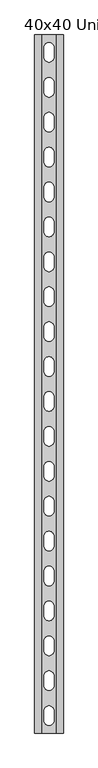
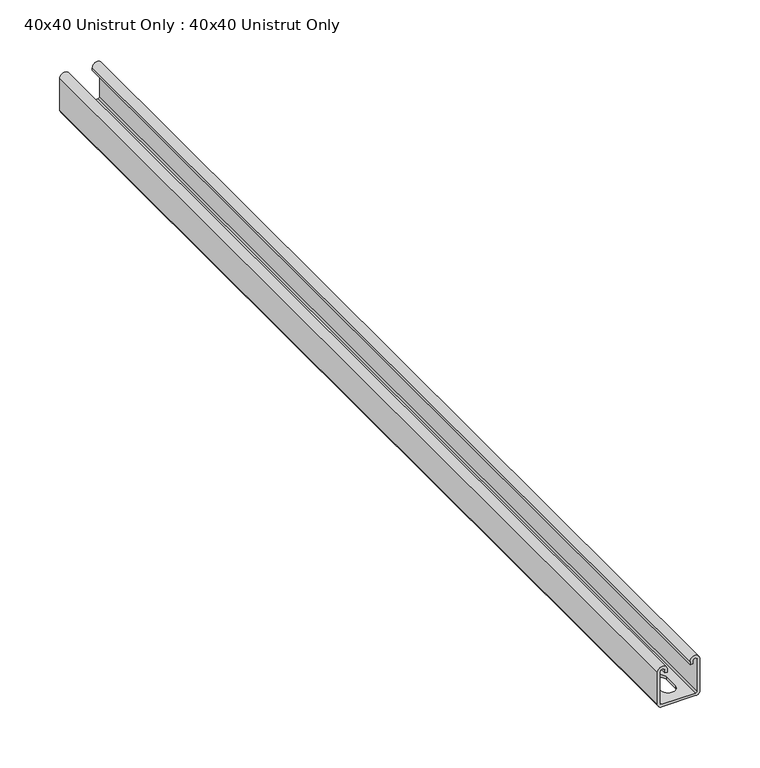
"""IFC4 building model written with IfcOpenShell, lengths in millimetres: proxy geometry, 40x40 Unistrut Only : 40x40 Unistrut Only."""

from ifc_helpers import new_model, si_unit, frame, origin, place, context, project, spatial, polyline, circle_curve, source, transform, mapped, element, save
from ifc_brep_helpers import plane_surface, cylinder_surface, revolved_surface, advanced_brep


def proxy_40x40_unistrut_only_40x40_unistrut_only_0c33eeb6(model_context):
    return source(origin(), model_context, "Body", "AdvancedBrep", [
        advanced_brep(
        [(0.0, -1000.0, 396.25), (0.0, -1000.0, 364.0), (4.0, -1000.0, 360.0), (37.0, -1000.0, 360.0), (41.0, -1000.0, 364.0), (41.0, -1000.0, 396.25), (31.5, -1000.0, 396.25), (31.5, -1000.0, 393.55), (34.0, -1000.0, 393.55), (34.0, -1000.0, 396.25), (38.5, -1000.0, 396.25), (38.5, -1000.0, 364.0), (37.0, -1000.0, 362.5), (4.0, -1000.0, 362.5), (2.5, -1000.0, 364.0), (2.5, -1000.0, 396.25), (7.0, -1000.0, 396.25), (7.0, -1000.0, 393.55), (9.5, -1000.0, 393.55), (9.5, -1000.0, 396.25), (0.0, 0.0, 396.25), (9.5, 0.0, 396.25), (9.5, 0.0, 393.55), (7.0, 0.0, 393.55), (7.0, 0.0, 396.25), (2.5, 0.0, 396.25), (2.5, 0.0, 364.0), (4.0, 0.0, 362.5), (37.0, 0.0, 362.5), (38.5, 0.0, 364.0), (38.5, 0.0, 396.25), (34.0, 0.0, 396.25), (34.0, 0.0, 393.55), (31.5, 0.0, 393.55), (31.5, 0.0, 396.25), (41.0, 0.0, 396.25), (41.0, 0.0, 364.0), (37.0, 0.0, 360.0), (4.0, 0.0, 360.0), (0.0, 0.0, 364.0), (27.5, -32.0, 360.0), (27.5, -18.0, 360.0), (13.5, -18.0, 360.0), (13.5, -32.0, 360.0), (27.5, -82.0, 360.0), (27.5, -68.0, 360.0), (13.5, -68.0, 360.0), (13.5, -82.0, 360.0), (27.5, -132.0, 360.0), (27.5, -118.0, 360.0), (13.5, -118.0, 360.0), (13.5, -132.0, 360.0), (27.5, -182.0, 360.0), (27.5, -168.0, 360.0), (13.5, -168.0, 360.0), (13.5, -182.0, 360.0), (27.5, -232.0, 360.0), (27.5, -218.0, 360.0), (13.5, -218.0, 360.0), (13.5, -232.0, 360.0), (27.5, -282.0, 360.0), (27.5, -268.0, 360.0), (13.5, -268.0, 360.0), (13.5, -282.0, 360.0), (27.5, -332.0, 360.0), (27.5, -318.0, 360.0), (13.5, -318.0, 360.0), (13.5, -332.0, 360.0), (27.5, -382.0, 360.0), (27.5, -368.0, 360.0), (13.5, -368.0, 360.0), (13.5, -382.0, 360.0), (27.5, -432.0, 360.0), (27.5, -418.0, 360.0), (13.5, -418.0, 360.0), (13.5, -432.0, 360.0), (27.5, -482.0, 360.0), (27.5, -468.0, 360.0), (13.5, -468.0, 360.0), (13.5, -482.0, 360.0), (27.5, -532.0, 360.0), (27.5, -518.0, 360.0), (13.5, -518.0, 360.0), (13.5, -532.0, 360.0), (27.5, -582.0, 360.0), (27.5, -568.0, 360.0), (13.5, -568.0, 360.0), (13.5, -582.0, 360.0), (27.5, -632.0, 360.0), (27.5, -618.0, 360.0), (13.5, -618.0, 360.0), (13.5, -632.0, 360.0), (27.5, -682.0, 360.0), (27.5, -668.0, 360.0), (13.5, -668.0, 360.0), (13.5, -682.0, 360.0), (27.5, -732.0, 360.0), (27.5, -718.0, 360.0), (13.5, -718.0, 360.0), (13.5, -732.0, 360.0), (27.5, -782.0, 360.0), (27.5, -768.0, 360.0), (13.5, -768.0, 360.0), (13.5, -782.0, 360.0), (27.5, -832.0, 360.0), (27.5, -818.0, 360.0), (13.5, -818.0, 360.0), (13.5, -832.0, 360.0), (27.5, -882.0, 360.0), (27.5, -868.0, 360.0), (13.5, -868.0, 360.0), (13.5, -882.0, 360.0), (27.5, -932.0, 360.0), (27.5, -918.0, 360.0), (13.5, -918.0, 360.0), (13.5, -932.0, 360.0), (27.5, -982.0, 360.0), (27.5, -968.0, 360.0), (13.5, -968.0, 360.0), (13.5, -982.0, 360.0), (27.5, -18.0, 362.5), (27.5, -32.0, 362.5), (13.5, -32.0, 362.5), (13.5, -18.0, 362.5), (27.5, -68.0, 362.5), (27.5, -82.0, 362.5), (13.5, -82.0, 362.5), (13.5, -68.0, 362.5), (27.5, -118.0, 362.5), (27.5, -132.0, 362.5), (13.5, -132.0, 362.5), (13.5, -118.0, 362.5), (27.5, -168.0, 362.5), (27.5, -182.0, 362.5), (13.5, -182.0, 362.5), (13.5, -168.0, 362.5), (27.5, -218.0, 362.5), (27.5, -232.0, 362.5), (13.5, -232.0, 362.5), (13.5, -218.0, 362.5), (27.5, -268.0, 362.5), (27.5, -282.0, 362.5), (13.5, -282.0, 362.5), (13.5, -268.0, 362.5), (27.5, -318.0, 362.5), (27.5, -332.0, 362.5), (13.5, -332.0, 362.5), (13.5, -318.0, 362.5), (27.5, -368.0, 362.5), (27.5, -382.0, 362.5), (13.5, -382.0, 362.5), (13.5, -368.0, 362.5), (27.5, -418.0, 362.5), (27.5, -432.0, 362.5), (13.5, -432.0, 362.5), (13.5, -418.0, 362.5), (27.5, -468.0, 362.5), (27.5, -482.0, 362.5), (13.5, -482.0, 362.5), (13.5, -468.0, 362.5), (27.5, -518.0, 362.5), (27.5, -532.0, 362.5), (13.5, -532.0, 362.5), (13.5, -518.0, 362.5), (27.5, -568.0, 362.5), (27.5, -582.0, 362.5), (13.5, -582.0, 362.5), (13.5, -568.0, 362.5), (27.5, -618.0, 362.5), (27.5, -632.0, 362.5), (13.5, -632.0, 362.5), (13.5, -618.0, 362.5), (27.5, -668.0, 362.5), (27.5, -682.0, 362.5), (13.5, -682.0, 362.5), (13.5, -668.0, 362.5), (27.5, -718.0, 362.5), (27.5, -732.0, 362.5), (13.5, -732.0, 362.5), (13.5, -718.0, 362.5), (27.5, -768.0, 362.5), (27.5, -782.0, 362.5), (13.5, -782.0, 362.5), (13.5, -768.0, 362.5), (27.5, -818.0, 362.5), (27.5, -832.0, 362.5), (13.5, -832.0, 362.5), (13.5, -818.0, 362.5), (27.5, -868.0, 362.5), (27.5, -882.0, 362.5), (13.5, -882.0, 362.5), (13.5, -868.0, 362.5), (27.5, -918.0, 362.5), (27.5, -932.0, 362.5), (13.5, -932.0, 362.5), (13.5, -918.0, 362.5), (27.5, -968.0, 362.5), (27.5, -982.0, 362.5), (13.5, -982.0, 362.5), (13.5, -968.0, 362.5)],
        [
            (0, 1),
            (1, 2, circle_curve(frame((4.0, -1000.0, 364.0), z_axis=(0.0, -1.0, 0.0), x_axis=(1.0, 0.0, 0.0)), 4.0)),
            (2, 3),
            (3, 4, circle_curve(frame((37.0, -1000.0, 364.0), z_axis=(0.0, -1.0, 0.0), x_axis=(1.0, 0.0, 0.0)), 4.0)),
            (4, 5),
            (5, 6, circle_curve(frame((36.25, -1000.0, 396.25), z_axis=(0.0, -1.0, 0.0), x_axis=(1.0, 0.0, 0.0)), 4.75)),
            (6, 7),
            (7, 8),
            (8, 9),
            (9, 10, circle_curve(frame((36.25, -1000.0, 396.25), z_axis=(0.0, 1.0, 0.0), x_axis=(1.0, 0.0, 0.0)), 2.25)),
            (10, 11),
            (11, 12, circle_curve(frame((37.0, -1000.0, 364.0), z_axis=(0.0, 1.0, 0.0), x_axis=(1.0, 0.0, 0.0)), 1.5)),
            (12, 13),
            (13, 14, circle_curve(frame((4.0, -1000.0, 364.0), z_axis=(0.0, 1.0, 0.0), x_axis=(1.0, 0.0, 0.0)), 1.5)),
            (14, 15),
            (15, 16, circle_curve(frame((4.75, -1000.0, 396.25), z_axis=(0.0, 1.0, 0.0), x_axis=(1.0, 0.0, 0.0)), 2.25)),
            (16, 17),
            (17, 18),
            (18, 19),
            (19, 0, circle_curve(frame((4.75, -1000.0, 396.25), z_axis=(0.0, -1.0, 0.0), x_axis=(1.0, 0.0, 0.0)), 4.75)),
            (20, 21, circle_curve(frame((4.75, 0.0, 396.25), z_axis=(0.0, 1.0, 0.0), x_axis=(1.0, 0.0, 0.0)), 4.75)),
            (21, 22),
            (22, 23),
            (23, 24),
            (24, 25, circle_curve(frame((4.75, 0.0, 396.25), z_axis=(0.0, -1.0, 0.0), x_axis=(1.0, 0.0, 0.0)), 2.25)),
            (25, 26),
            (26, 27, circle_curve(frame((4.0, 0.0, 364.0), z_axis=(0.0, -1.0, 0.0), x_axis=(1.0, 0.0, 0.0)), 1.5)),
            (27, 28),
            (28, 29, circle_curve(frame((37.0, 0.0, 364.0), z_axis=(0.0, -1.0, 0.0), x_axis=(1.0, 0.0, 0.0)), 1.5)),
            (29, 30),
            (30, 31, circle_curve(frame((36.25, 0.0, 396.25), z_axis=(0.0, -1.0, 0.0), x_axis=(1.0, 0.0, 0.0)), 2.25)),
            (31, 32),
            (32, 33),
            (33, 34),
            (34, 35, circle_curve(frame((36.25, 0.0, 396.25), z_axis=(0.0, 1.0, 0.0), x_axis=(1.0, 0.0, 0.0)), 4.75)),
            (35, 36),
            (36, 37, circle_curve(frame((37.0, 0.0, 364.0), z_axis=(0.0, 1.0, 0.0), x_axis=(1.0, 0.0, 0.0)), 4.0)),
            (37, 38),
            (38, 39, circle_curve(frame((4.0, 0.0, 364.0), z_axis=(0.0, 1.0, 0.0), x_axis=(1.0, 0.0, 0.0)), 4.0)),
            (39, 20),
            (0, 20),
            (39, 1),
            (38, 2),
            (37, 3),
            (40, 41),
            (41, 42, circle_curve(frame((20.5, -18.0, 360.0), z_axis=(0.0, 0.0, 1.0), x_axis=(1.0, 0.0, 0.0)), 7.0)),
            (42, 43),
            (43, 40, circle_curve(frame((20.5, -32.0, 360.0), z_axis=(0.0, 0.0, 1.0), x_axis=(1.0, 0.0, 0.0)), 7.0)),
            (44, 45),
            (45, 46, circle_curve(frame((20.5, -68.0, 360.0), z_axis=(0.0, 0.0, 1.0), x_axis=(1.0, 0.0, 0.0)), 7.0)),
            (46, 47),
            (47, 44, circle_curve(frame((20.5, -82.0, 360.0), z_axis=(0.0, 0.0, 1.0), x_axis=(1.0, 0.0, 0.0)), 7.0)),
            (48, 49),
            (49, 50, circle_curve(frame((20.5, -118.0, 360.0), z_axis=(0.0, 0.0, 1.0), x_axis=(1.0, 0.0, 0.0)), 7.0)),
            (50, 51),
            (51, 48, circle_curve(frame((20.5, -132.0, 360.0), z_axis=(0.0, 0.0, 1.0), x_axis=(1.0, 0.0, 0.0)), 7.0)),
            (52, 53),
            (53, 54, circle_curve(frame((20.5, -168.0, 360.0), z_axis=(0.0, 0.0, 1.0), x_axis=(1.0, 0.0, 0.0)), 7.0)),
            (54, 55),
            (55, 52, circle_curve(frame((20.5, -182.0, 360.0), z_axis=(0.0, 0.0, 1.0), x_axis=(1.0, 0.0, 0.0)), 7.0)),
            (56, 57),
            (57, 58, circle_curve(frame((20.5, -218.0, 360.0), z_axis=(0.0, 0.0, 1.0), x_axis=(1.0, 0.0, 0.0)), 7.0)),
            (58, 59),
            (59, 56, circle_curve(frame((20.5, -232.0, 360.0), z_axis=(0.0, 0.0, 1.0), x_axis=(1.0, 0.0, 0.0)), 7.0)),
            (60, 61),
            (61, 62, circle_curve(frame((20.5, -268.0, 360.0), z_axis=(0.0, 0.0, 1.0), x_axis=(1.0, 0.0, 0.0)), 7.0)),
            (62, 63),
            (63, 60, circle_curve(frame((20.5, -282.0, 360.0), z_axis=(0.0, 0.0, 1.0), x_axis=(1.0, 0.0, 0.0)), 7.0)),
            (64, 65),
            (65, 66, circle_curve(frame((20.5, -318.0, 360.0), z_axis=(0.0, 0.0, 1.0), x_axis=(1.0, 0.0, 0.0)), 7.0)),
            (66, 67),
            (67, 64, circle_curve(frame((20.5, -332.0, 360.0), z_axis=(0.0, 0.0, 1.0), x_axis=(1.0, 0.0, 0.0)), 7.0)),
            (68, 69),
            (69, 70, circle_curve(frame((20.5, -368.0, 360.0), z_axis=(0.0, 0.0, 1.0), x_axis=(1.0, 0.0, 0.0)), 7.0)),
            (70, 71),
            (71, 68, circle_curve(frame((20.5, -382.0, 360.0), z_axis=(0.0, 0.0, 1.0), x_axis=(1.0, 0.0, 0.0)), 7.0)),
            (72, 73),
            (73, 74, circle_curve(frame((20.5, -418.0, 360.0), z_axis=(0.0, 0.0, 1.0), x_axis=(1.0, 0.0, 0.0)), 7.0)),
            (74, 75),
            (75, 72, circle_curve(frame((20.5, -432.0, 360.0), z_axis=(0.0, 0.0, 1.0), x_axis=(1.0, 0.0, 0.0)), 7.0)),
            (76, 77),
            (77, 78, circle_curve(frame((20.5, -468.0, 360.0), z_axis=(0.0, 0.0, 1.0), x_axis=(1.0, 0.0, 0.0)), 7.0)),
            (78, 79),
            (79, 76, circle_curve(frame((20.5, -482.0, 360.0), z_axis=(0.0, 0.0, 1.0), x_axis=(1.0, 0.0, 0.0)), 7.0)),
            (80, 81),
            (81, 82, circle_curve(frame((20.5, -518.0, 360.0), z_axis=(0.0, 0.0, 1.0), x_axis=(1.0, 0.0, 0.0)), 7.0)),
            (82, 83),
            (83, 80, circle_curve(frame((20.5, -532.0, 360.0), z_axis=(0.0, 0.0, 1.0), x_axis=(1.0, 0.0, 0.0)), 7.0)),
            (84, 85),
            (85, 86, circle_curve(frame((20.5, -568.0, 360.0), z_axis=(0.0, 0.0, 1.0), x_axis=(1.0, 0.0, 0.0)), 7.0)),
            (86, 87),
            (87, 84, circle_curve(frame((20.5, -582.0, 360.0), z_axis=(0.0, 0.0, 1.0), x_axis=(1.0, 0.0, 0.0)), 7.0)),
            (88, 89),
            (89, 90, circle_curve(frame((20.5, -618.0, 360.0), z_axis=(0.0, 0.0, 1.0), x_axis=(1.0, 0.0, 0.0)), 7.0)),
            (90, 91),
            (91, 88, circle_curve(frame((20.5, -632.0, 360.0), z_axis=(0.0, 0.0, 1.0), x_axis=(1.0, 0.0, 0.0)), 7.0)),
            (92, 93),
            (93, 94, circle_curve(frame((20.5, -668.0, 360.0), z_axis=(0.0, 0.0, 1.0), x_axis=(1.0, 0.0, 0.0)), 7.0)),
            (94, 95),
            (95, 92, circle_curve(frame((20.5, -682.0, 360.0), z_axis=(0.0, 0.0, 1.0), x_axis=(1.0, 0.0, 0.0)), 7.0)),
            (96, 97),
            (97, 98, circle_curve(frame((20.5, -718.0, 360.0), z_axis=(0.0, 0.0, 1.0), x_axis=(1.0, 0.0, 0.0)), 7.0)),
            (98, 99),
            (99, 96, circle_curve(frame((20.5, -732.0, 360.0), z_axis=(0.0, 0.0, 1.0), x_axis=(1.0, 0.0, 0.0)), 7.0)),
            (100, 101),
            (101, 102, circle_curve(frame((20.5, -768.0, 360.0), z_axis=(0.0, 0.0, 1.0), x_axis=(1.0, 0.0, 0.0)), 7.0)),
            (102, 103),
            (103, 100, circle_curve(frame((20.5, -782.0, 360.0), z_axis=(0.0, 0.0, 1.0), x_axis=(1.0, 0.0, 0.0)), 7.0)),
            (104, 105),
            (105, 106, circle_curve(frame((20.5, -818.0, 360.0), z_axis=(0.0, 0.0, 1.0), x_axis=(1.0, 0.0, 0.0)), 7.0)),
            (106, 107),
            (107, 104, circle_curve(frame((20.5, -832.0, 360.0), z_axis=(0.0, 0.0, 1.0), x_axis=(1.0, 0.0, 0.0)), 7.0)),
            (108, 109),
            (109, 110, circle_curve(frame((20.5, -868.0, 360.0), z_axis=(0.0, 0.0, 1.0), x_axis=(1.0, 0.0, 0.0)), 7.0)),
            (110, 111),
            (111, 108, circle_curve(frame((20.5, -882.0, 360.0), z_axis=(0.0, 0.0, 1.0), x_axis=(1.0, 0.0, 0.0)), 7.0)),
            (112, 113),
            (113, 114, circle_curve(frame((20.5, -918.0, 360.0), z_axis=(0.0, 0.0, 1.0), x_axis=(1.0, 0.0, 0.0)), 7.0)),
            (114, 115),
            (115, 112, circle_curve(frame((20.5, -932.0, 360.0), z_axis=(0.0, 0.0, 1.0), x_axis=(1.0, 0.0, 0.0)), 7.0)),
            (116, 117),
            (117, 118, circle_curve(frame((20.5, -968.0, 360.0), z_axis=(0.0, 0.0, 1.0), x_axis=(1.0, 0.0, 0.0)), 7.0)),
            (118, 119),
            (119, 116, circle_curve(frame((20.5, -982.0, 360.0), z_axis=(0.0, 0.0, 1.0), x_axis=(1.0, 0.0, 0.0)), 7.0)),
            (36, 4),
            (35, 5),
            (34, 6),
            (33, 7),
            (32, 8),
            (31, 9),
            (30, 10),
            (29, 11),
            (28, 12),
            (27, 13),
            (120, 121),
            (121, 122, circle_curve(frame((20.5, -32.0, 362.5), z_axis=(0.0, 0.0, -1.0), x_axis=(1.0, 0.0, 0.0)), 7.0)),
            (122, 123),
            (123, 120, circle_curve(frame((20.5, -18.0, 362.5), z_axis=(0.0, 0.0, -1.0), x_axis=(1.0, 0.0, 0.0)), 7.0)),
            (124, 125),
            (125, 126, circle_curve(frame((20.5, -82.0, 362.5), z_axis=(0.0, 0.0, -1.0), x_axis=(1.0, 0.0, 0.0)), 7.0)),
            (126, 127),
            (127, 124, circle_curve(frame((20.5, -68.0, 362.5), z_axis=(0.0, 0.0, -1.0), x_axis=(1.0, 0.0, 0.0)), 7.0)),
            (128, 129),
            (129, 130, circle_curve(frame((20.5, -132.0, 362.5), z_axis=(0.0, 0.0, -1.0), x_axis=(1.0, 0.0, 0.0)), 7.0)),
            (130, 131),
            (131, 128, circle_curve(frame((20.5, -118.0, 362.5), z_axis=(0.0, 0.0, -1.0), x_axis=(1.0, 0.0, 0.0)), 7.0)),
            (132, 133),
            (133, 134, circle_curve(frame((20.5, -182.0, 362.5), z_axis=(0.0, 0.0, -1.0), x_axis=(1.0, 0.0, 0.0)), 7.0)),
            (134, 135),
            (135, 132, circle_curve(frame((20.5, -168.0, 362.5), z_axis=(0.0, 0.0, -1.0), x_axis=(1.0, 0.0, 0.0)), 7.0)),
            (136, 137),
            (137, 138, circle_curve(frame((20.5, -232.0, 362.5), z_axis=(0.0, 0.0, -1.0), x_axis=(1.0, 0.0, 0.0)), 7.0)),
            (138, 139),
            (139, 136, circle_curve(frame((20.5, -218.0, 362.5), z_axis=(0.0, 0.0, -1.0), x_axis=(1.0, 0.0, 0.0)), 7.0)),
            (140, 141),
            (141, 142, circle_curve(frame((20.5, -282.0, 362.5), z_axis=(0.0, 0.0, -1.0), x_axis=(1.0, 0.0, 0.0)), 7.0)),
            (142, 143),
            (143, 140, circle_curve(frame((20.5, -268.0, 362.5), z_axis=(0.0, 0.0, -1.0), x_axis=(1.0, 0.0, 0.0)), 7.0)),
            (144, 145),
            (145, 146, circle_curve(frame((20.5, -332.0, 362.5), z_axis=(0.0, 0.0, -1.0), x_axis=(1.0, 0.0, 0.0)), 7.0)),
            (146, 147),
            (147, 144, circle_curve(frame((20.5, -318.0, 362.5), z_axis=(0.0, 0.0, -1.0), x_axis=(1.0, 0.0, 0.0)), 7.0)),
            (148, 149),
            (149, 150, circle_curve(frame((20.5, -382.0, 362.5), z_axis=(0.0, 0.0, -1.0), x_axis=(1.0, 0.0, 0.0)), 7.0)),
            (150, 151),
            (151, 148, circle_curve(frame((20.5, -368.0, 362.5), z_axis=(0.0, 0.0, -1.0), x_axis=(1.0, 0.0, 0.0)), 7.0)),
            (152, 153),
            (153, 154, circle_curve(frame((20.5, -432.0, 362.5), z_axis=(0.0, 0.0, -1.0), x_axis=(1.0, 0.0, 0.0)), 7.0)),
            (154, 155),
            (155, 152, circle_curve(frame((20.5, -418.0, 362.5), z_axis=(0.0, 0.0, -1.0), x_axis=(1.0, 0.0, 0.0)), 7.0)),
            (156, 157),
            (157, 158, circle_curve(frame((20.5, -482.0, 362.5), z_axis=(0.0, 0.0, -1.0), x_axis=(1.0, 0.0, 0.0)), 7.0)),
            (158, 159),
            (159, 156, circle_curve(frame((20.5, -468.0, 362.5), z_axis=(0.0, 0.0, -1.0), x_axis=(1.0, 0.0, 0.0)), 7.0)),
            (160, 161),
            (161, 162, circle_curve(frame((20.5, -532.0, 362.5), z_axis=(0.0, 0.0, -1.0), x_axis=(1.0, 0.0, 0.0)), 7.0)),
            (162, 163),
            (163, 160, circle_curve(frame((20.5, -518.0, 362.5), z_axis=(0.0, 0.0, -1.0), x_axis=(1.0, 0.0, 0.0)), 7.0)),
            (164, 165),
            (165, 166, circle_curve(frame((20.5, -582.0, 362.5), z_axis=(0.0, 0.0, -1.0), x_axis=(1.0, 0.0, 0.0)), 7.0)),
            (166, 167),
            (167, 164, circle_curve(frame((20.5, -568.0, 362.5), z_axis=(0.0, 0.0, -1.0), x_axis=(1.0, 0.0, 0.0)), 7.0)),
            (168, 169),
            (169, 170, circle_curve(frame((20.5, -632.0, 362.5), z_axis=(0.0, 0.0, -1.0), x_axis=(1.0, 0.0, 0.0)), 7.0)),
            (170, 171),
            (171, 168, circle_curve(frame((20.5, -618.0, 362.5), z_axis=(0.0, 0.0, -1.0), x_axis=(1.0, 0.0, 0.0)), 7.0)),
            (172, 173),
            (173, 174, circle_curve(frame((20.5, -682.0, 362.5), z_axis=(0.0, 0.0, -1.0), x_axis=(1.0, 0.0, 0.0)), 7.0)),
            (174, 175),
            (175, 172, circle_curve(frame((20.5, -668.0, 362.5), z_axis=(0.0, 0.0, -1.0), x_axis=(1.0, 0.0, 0.0)), 7.0)),
            (176, 177),
            (177, 178, circle_curve(frame((20.5, -732.0, 362.5), z_axis=(0.0, 0.0, -1.0), x_axis=(1.0, 0.0, 0.0)), 7.0)),
            (178, 179),
            (179, 176, circle_curve(frame((20.5, -718.0, 362.5), z_axis=(0.0, 0.0, -1.0), x_axis=(1.0, 0.0, 0.0)), 7.0)),
            (180, 181),
            (181, 182, circle_curve(frame((20.5, -782.0, 362.5), z_axis=(0.0, 0.0, -1.0), x_axis=(1.0, 0.0, 0.0)), 7.0)),
            (182, 183),
            (183, 180, circle_curve(frame((20.5, -768.0, 362.5), z_axis=(0.0, 0.0, -1.0), x_axis=(1.0, 0.0, 0.0)), 7.0)),
            (184, 185),
            (185, 186, circle_curve(frame((20.5, -832.0, 362.5), z_axis=(0.0, 0.0, -1.0), x_axis=(1.0, 0.0, 0.0)), 7.0)),
            (186, 187),
            (187, 184, circle_curve(frame((20.5, -818.0, 362.5), z_axis=(0.0, 0.0, -1.0), x_axis=(1.0, 0.0, 0.0)), 7.0)),
            (188, 189),
            (189, 190, circle_curve(frame((20.5, -882.0, 362.5), z_axis=(0.0, 0.0, -1.0), x_axis=(1.0, 0.0, 0.0)), 7.0)),
            (190, 191),
            (191, 188, circle_curve(frame((20.5, -868.0, 362.5), z_axis=(0.0, 0.0, -1.0), x_axis=(1.0, 0.0, 0.0)), 7.0)),
            (192, 193),
            (193, 194, circle_curve(frame((20.5, -932.0, 362.5), z_axis=(0.0, 0.0, -1.0), x_axis=(1.0, 0.0, 0.0)), 7.0)),
            (194, 195),
            (195, 192, circle_curve(frame((20.5, -918.0, 362.5), z_axis=(0.0, 0.0, -1.0), x_axis=(1.0, 0.0, 0.0)), 7.0)),
            (196, 197),
            (197, 198, circle_curve(frame((20.5, -982.0, 362.5), z_axis=(0.0, 0.0, -1.0), x_axis=(1.0, 0.0, 0.0)), 7.0)),
            (198, 199),
            (199, 196, circle_curve(frame((20.5, -968.0, 362.5), z_axis=(0.0, 0.0, -1.0), x_axis=(1.0, 0.0, 0.0)), 7.0)),
            (26, 14),
            (25, 15),
            (24, 16),
            (23, 17),
            (22, 18),
            (21, 19),
            (120, 41),
            (40, 121),
            (122, 43),
            (42, 123),
            (124, 45),
            (44, 125),
            (126, 47),
            (46, 127),
            (128, 49),
            (48, 129),
            (130, 51),
            (50, 131),
            (132, 53),
            (52, 133),
            (134, 55),
            (54, 135),
            (136, 57),
            (56, 137),
            (138, 59),
            (58, 139),
            (140, 61),
            (60, 141),
            (142, 63),
            (62, 143),
            (144, 65),
            (64, 145),
            (146, 67),
            (66, 147),
            (148, 69),
            (68, 149),
            (150, 71),
            (70, 151),
            (152, 73),
            (72, 153),
            (154, 75),
            (74, 155),
            (156, 77),
            (76, 157),
            (158, 79),
            (78, 159),
            (160, 81),
            (80, 161),
            (162, 83),
            (82, 163),
            (164, 85),
            (84, 165),
            (166, 87),
            (86, 167),
            (168, 89),
            (88, 169),
            (170, 91),
            (90, 171),
            (172, 93),
            (92, 173),
            (174, 95),
            (94, 175),
            (176, 97),
            (96, 177),
            (178, 99),
            (98, 179),
            (180, 101),
            (100, 181),
            (182, 103),
            (102, 183),
            (184, 105),
            (104, 185),
            (186, 107),
            (106, 187),
            (188, 109),
            (108, 189),
            (190, 111),
            (110, 191),
            (192, 113),
            (112, 193),
            (194, 115),
            (114, 195),
            (196, 117),
            (116, 197),
            (198, 119),
            (118, 199),
        ],
        [
            plane_surface(frame((0.0, -1000.0, 840.0), z_axis=(0.0, -1.0, 0.0), x_axis=(0.0, 0.0, -1.0))),
            plane_surface(frame((0.0, 0.0, 840.0), z_axis=(0.0, 1.0, 0.0), x_axis=(0.0, 0.0, 1.0))),
            plane_surface(frame((0.0, -1000.0, 396.25), z_axis=(-1.0, 0.0, 0.0), x_axis=(0.0, 1.0, 0.0))),
            cylinder_surface(frame((4.0, 0.0, 364.0), z_axis=(0.0, -1.0, 0.0), x_axis=(1.0, 0.0, 0.0)), 4.0),
            plane_surface(frame((4.0, -1000.0, 360.0), z_axis=(0.0, 0.0, -1.0), x_axis=(0.0, 1.0, 0.0))),
            cylinder_surface(frame((37.0, 0.0, 364.0), z_axis=(0.0, -1.0, 0.0), x_axis=(1.0, 0.0, 0.0)), 4.0),
            plane_surface(frame((41.0, -1000.0, 364.0), z_axis=(1.0, 0.0, 0.0), x_axis=(0.0, 1.0, 0.0))),
            cylinder_surface(frame((36.25, 0.0, 396.25), z_axis=(0.0, -1.0, 0.0), x_axis=(1.0, 0.0, 0.0)), 4.75),
            plane_surface(frame((31.5, -1000.0, 396.25), z_axis=(-1.0, 0.0, 0.0), x_axis=(0.0, 1.0, 0.0))),
            plane_surface(frame((31.5, -1000.0, 393.55), z_axis=(0.0, 0.0, -1.0), x_axis=(0.0, 1.0, 0.0))),
            plane_surface(frame((34.0, -1000.0, 393.55), z_axis=(1.0, 0.0, 0.0), x_axis=(0.0, 1.0, 0.0))),
            revolved_surface(polyline([(38.5, 0.0, 396.25), (38.5, -1000.0, 396.25)]), (36.25, 0.0, 396.25), (0.0, 1.0, 0.0)),
            plane_surface(frame((38.5, -1000.0, 396.25), z_axis=(-1.0, 0.0, 0.0), x_axis=(0.0, 1.0, 0.0))),
            revolved_surface(polyline([(38.5, 0.0, 364.0), (38.5, -1000.0, 364.0)]), (37.0, 0.0, 364.0), (0.0, 1.0, 0.0)),
            plane_surface(frame((37.0, -1000.0, 362.5), z_axis=(0.0, 0.0, 1.0), x_axis=(0.0, 1.0, 0.0))),
            revolved_surface(polyline([(5.5, 0.0, 364.0), (5.5, -1000.0, 364.0)]), (4.0, 0.0, 364.0), (0.0, 1.0, 0.0)),
            plane_surface(frame((2.5, -1000.0, 364.0), z_axis=(1.0, 0.0, 0.0), x_axis=(0.0, 1.0, 0.0))),
            revolved_surface(polyline([(7.0, 0.0, 396.25), (7.0, -1000.0, 396.25)]), (4.75, 0.0, 396.25), (0.0, 1.0, 0.0)),
            plane_surface(frame((7.0, -1000.0, 396.25), z_axis=(-1.0, 0.0, 0.0), x_axis=(0.0, 1.0, 0.0))),
            plane_surface(frame((7.0, -1000.0, 393.55), z_axis=(0.0, 0.0, -1.0), x_axis=(0.0, 1.0, 0.0))),
            plane_surface(frame((9.5, -1000.0, 393.55), z_axis=(1.0, 0.0, 0.0), x_axis=(0.0, 1.0, 0.0))),
            cylinder_surface(frame((4.75, 0.0, 396.25), z_axis=(0.0, -1.0, 0.0), x_axis=(1.0, 0.0, 0.0)), 4.75),
            plane_surface(frame((27.5, -32.0, 362.5), z_axis=(-1.0, 0.0, 0.0), x_axis=(0.0, 0.0, -1.0))),
            plane_surface(frame((13.5, -18.0, 362.5), z_axis=(1.0, 0.0, 0.0), x_axis=(0.0, 0.0, -1.0))),
            revolved_surface(polyline([(27.5, -32.0, 362.5), (27.5, -32.0, 360.0)]), (20.5, -32.0, 360.0), (0.0, 0.0, 1.0)),
            revolved_surface(polyline([(27.5, -18.0, 362.5), (27.5, -18.0, 360.0)]), (20.5, -18.0, 360.0), (0.0, 0.0, 1.0)),
            plane_surface(frame((27.5, -82.0, 362.5), z_axis=(-1.0, 0.0, 0.0), x_axis=(0.0, 0.0, -1.0))),
            plane_surface(frame((13.5, -68.0, 362.5), z_axis=(1.0, 0.0, 0.0), x_axis=(0.0, 0.0, -1.0))),
            revolved_surface(polyline([(27.5, -82.0, 362.5), (27.5, -82.0, 360.0)]), (20.5, -82.0, 360.0), (0.0, 0.0, 1.0)),
            revolved_surface(polyline([(27.5, -68.0, 362.5), (27.5, -68.0, 360.0)]), (20.5, -68.0, 360.0), (0.0, 0.0, 1.0)),
            plane_surface(frame((27.5, -132.0, 362.5), z_axis=(-1.0, 0.0, 0.0), x_axis=(0.0, 0.0, -1.0))),
            plane_surface(frame((13.5, -118.0, 362.5), z_axis=(1.0, 0.0, 0.0), x_axis=(0.0, 0.0, -1.0))),
            revolved_surface(polyline([(27.5, -132.0, 362.5), (27.5, -132.0, 360.0)]), (20.5, -132.0, 360.0), (0.0, 0.0, 1.0)),
            revolved_surface(polyline([(27.5, -118.0, 362.5), (27.5, -118.0, 360.0)]), (20.5, -118.0, 360.0), (0.0, 0.0, 1.0)),
            plane_surface(frame((27.5, -182.0, 362.5), z_axis=(-1.0, 0.0, 0.0), x_axis=(0.0, 0.0, -1.0))),
            plane_surface(frame((13.5, -168.0, 362.5), z_axis=(1.0, 0.0, 0.0), x_axis=(0.0, 0.0, -1.0))),
            revolved_surface(polyline([(27.5, -182.0, 362.5), (27.5, -182.0, 360.0)]), (20.5, -182.0, 360.0), (0.0, 0.0, 1.0)),
            revolved_surface(polyline([(27.5, -168.0, 362.5), (27.5, -168.0, 360.0)]), (20.5, -168.0, 360.0), (0.0, 0.0, 1.0)),
            plane_surface(frame((27.5, -232.0, 362.5), z_axis=(-1.0, 0.0, 0.0), x_axis=(0.0, 0.0, -1.0))),
            plane_surface(frame((13.5, -218.0, 362.5), z_axis=(1.0, 0.0, 0.0), x_axis=(0.0, 0.0, -1.0))),
            revolved_surface(polyline([(27.5, -232.0, 362.5), (27.5, -232.0, 360.0)]), (20.5, -232.0, 360.0), (0.0, 0.0, 1.0)),
            revolved_surface(polyline([(27.5, -218.0, 362.5), (27.5, -218.0, 360.0)]), (20.5, -218.0, 360.0), (0.0, 0.0, 1.0)),
            plane_surface(frame((27.5, -282.0, 362.5), z_axis=(-1.0, 0.0, 0.0), x_axis=(0.0, 0.0, -1.0))),
            plane_surface(frame((13.5, -268.0, 362.5), z_axis=(1.0, 0.0, 0.0), x_axis=(0.0, 0.0, -1.0))),
            revolved_surface(polyline([(27.5, -282.0, 362.5), (27.5, -282.0, 360.0)]), (20.5, -282.0, 360.0), (0.0, 0.0, 1.0)),
            revolved_surface(polyline([(27.5, -268.0, 362.5), (27.5, -268.0, 360.0)]), (20.5, -268.0, 360.0), (0.0, 0.0, 1.0)),
            plane_surface(frame((27.5, -332.0, 362.5), z_axis=(-1.0, 0.0, 0.0), x_axis=(0.0, 0.0, -1.0))),
            plane_surface(frame((13.5, -318.0, 362.5), z_axis=(1.0, 0.0, 0.0), x_axis=(0.0, 0.0, -1.0))),
            revolved_surface(polyline([(27.5, -332.0, 362.5), (27.5, -332.0, 360.0)]), (20.5, -332.0, 360.0), (0.0, 0.0, 1.0)),
            revolved_surface(polyline([(27.5, -318.0, 362.5), (27.5, -318.0, 360.0)]), (20.5, -318.0, 360.0), (0.0, 0.0, 1.0)),
            plane_surface(frame((27.5, -382.0, 362.5), z_axis=(-1.0, 0.0, 0.0), x_axis=(0.0, 0.0, -1.0))),
            plane_surface(frame((13.5, -368.0, 362.5), z_axis=(1.0, 0.0, 0.0), x_axis=(0.0, 0.0, -1.0))),
            revolved_surface(polyline([(27.5, -382.0, 362.5), (27.5, -382.0, 360.0)]), (20.5, -382.0, 360.0), (0.0, 0.0, 1.0)),
            revolved_surface(polyline([(27.5, -368.0, 362.5), (27.5, -368.0, 360.0)]), (20.5, -368.0, 360.0), (0.0, 0.0, 1.0)),
            plane_surface(frame((27.5, -432.0, 362.5), z_axis=(-1.0, 0.0, 0.0), x_axis=(0.0, 0.0, -1.0))),
            plane_surface(frame((13.5, -418.0, 362.5), z_axis=(1.0, 0.0, 0.0), x_axis=(0.0, 0.0, -1.0))),
            revolved_surface(polyline([(27.5, -432.0, 362.5), (27.5, -432.0, 360.0)]), (20.5, -432.0, 360.0), (0.0, 0.0, 1.0)),
            revolved_surface(polyline([(27.5, -418.0, 362.5), (27.5, -418.0, 360.0)]), (20.5, -418.0, 360.0), (0.0, 0.0, 1.0)),
            plane_surface(frame((27.5, -482.0, 362.5), z_axis=(-1.0, 0.0, 0.0), x_axis=(0.0, 0.0, -1.0))),
            plane_surface(frame((13.5, -468.0, 362.5), z_axis=(1.0, 0.0, 0.0), x_axis=(0.0, 0.0, -1.0))),
            revolved_surface(polyline([(27.5, -482.0, 362.5), (27.5, -482.0, 360.0)]), (20.5, -482.0, 360.0), (0.0, 0.0, 1.0)),
            revolved_surface(polyline([(27.5, -468.0, 362.5), (27.5, -468.0, 360.0)]), (20.5, -468.0, 360.0), (0.0, 0.0, 1.0)),
            plane_surface(frame((27.5, -532.0, 362.5), z_axis=(-1.0, 0.0, 0.0), x_axis=(0.0, 0.0, -1.0))),
            plane_surface(frame((13.5, -518.0, 362.5), z_axis=(1.0, 0.0, 0.0), x_axis=(0.0, 0.0, -1.0))),
            revolved_surface(polyline([(27.5, -532.0, 362.5), (27.5, -532.0, 360.0)]), (20.5, -532.0, 360.0), (0.0, 0.0, 1.0)),
            revolved_surface(polyline([(27.5, -518.0, 362.5), (27.5, -518.0, 360.0)]), (20.5, -518.0, 360.0), (0.0, 0.0, 1.0)),
            plane_surface(frame((27.5, -582.0, 362.5), z_axis=(-1.0, 0.0, 0.0), x_axis=(0.0, 0.0, -1.0))),
            plane_surface(frame((13.5, -568.0, 362.5), z_axis=(1.0, 0.0, 0.0), x_axis=(0.0, 0.0, -1.0))),
            revolved_surface(polyline([(27.5, -582.0, 362.5), (27.5, -582.0, 360.0)]), (20.5, -582.0, 360.0), (0.0, 0.0, 1.0)),
            revolved_surface(polyline([(27.5, -568.0, 362.5), (27.5, -568.0, 360.0)]), (20.5, -568.0, 360.0), (0.0, 0.0, 1.0)),
            plane_surface(frame((27.5, -632.0, 362.5), z_axis=(-1.0, 0.0, 0.0), x_axis=(0.0, 0.0, -1.0))),
            plane_surface(frame((13.5, -618.0, 362.5), z_axis=(1.0, 0.0, 0.0), x_axis=(0.0, 0.0, -1.0))),
            revolved_surface(polyline([(27.5, -632.0, 362.5), (27.5, -632.0, 360.0)]), (20.5, -632.0, 360.0), (0.0, 0.0, 1.0)),
            revolved_surface(polyline([(27.5, -618.0, 362.5), (27.5, -618.0, 360.0)]), (20.5, -618.0, 360.0), (0.0, 0.0, 1.0)),
            plane_surface(frame((27.5, -682.0, 362.5), z_axis=(-1.0, 0.0, 0.0), x_axis=(0.0, 0.0, -1.0))),
            plane_surface(frame((13.5, -668.0, 362.5), z_axis=(1.0, 0.0, 0.0), x_axis=(0.0, 0.0, -1.0))),
            revolved_surface(polyline([(27.5, -682.0, 362.5), (27.5, -682.0, 360.0)]), (20.5, -682.0, 360.0), (0.0, 0.0, 1.0)),
            revolved_surface(polyline([(27.5, -668.0, 362.5), (27.5, -668.0, 360.0)]), (20.5, -668.0, 360.0), (0.0, 0.0, 1.0)),
            plane_surface(frame((27.5, -732.0, 362.5), z_axis=(-1.0, 0.0, 0.0), x_axis=(0.0, 0.0, -1.0))),
            plane_surface(frame((13.5, -718.0, 362.5), z_axis=(1.0, 0.0, 0.0), x_axis=(0.0, 0.0, -1.0))),
            revolved_surface(polyline([(27.5, -732.0, 362.5), (27.5, -732.0, 360.0)]), (20.5, -732.0, 360.0), (0.0, 0.0, 1.0)),
            revolved_surface(polyline([(27.5, -718.0, 362.5), (27.5, -718.0, 360.0)]), (20.5, -718.0, 360.0), (0.0, 0.0, 1.0)),
            plane_surface(frame((27.5, -782.0, 362.5), z_axis=(-1.0, 0.0, 0.0), x_axis=(0.0, 0.0, -1.0))),
            plane_surface(frame((13.5, -768.0, 362.5), z_axis=(1.0, 0.0, 0.0), x_axis=(0.0, 0.0, -1.0))),
            revolved_surface(polyline([(27.5, -782.0, 362.5), (27.5, -782.0, 360.0)]), (20.5, -782.0, 360.0), (0.0, 0.0, 1.0)),
            revolved_surface(polyline([(27.5, -768.0, 362.5), (27.5, -768.0, 360.0)]), (20.5, -768.0, 360.0), (0.0, 0.0, 1.0)),
            plane_surface(frame((27.5, -832.0, 362.5), z_axis=(-1.0, 0.0, 0.0), x_axis=(0.0, 0.0, -1.0))),
            plane_surface(frame((13.5, -818.0, 362.5), z_axis=(1.0, 0.0, 0.0), x_axis=(0.0, 0.0, -1.0))),
            revolved_surface(polyline([(27.5, -832.0, 362.5), (27.5, -832.0, 360.0)]), (20.5, -832.0, 360.0), (0.0, 0.0, 1.0)),
            revolved_surface(polyline([(27.5, -818.0, 362.5), (27.5, -818.0, 360.0)]), (20.5, -818.0, 360.0), (0.0, 0.0, 1.0)),
            plane_surface(frame((27.5, -882.0, 362.5), z_axis=(-1.0, 0.0, 0.0), x_axis=(0.0, 0.0, -1.0))),
            plane_surface(frame((13.5, -868.0, 362.5), z_axis=(1.0, 0.0, 0.0), x_axis=(0.0, 0.0, -1.0))),
            revolved_surface(polyline([(27.5, -882.0, 362.5), (27.5, -882.0, 360.0)]), (20.5, -882.0, 360.0), (0.0, 0.0, 1.0)),
            revolved_surface(polyline([(27.5, -868.0, 362.5), (27.5, -868.0, 360.0)]), (20.5, -868.0, 360.0), (0.0, 0.0, 1.0)),
            plane_surface(frame((27.5, -932.0, 362.5), z_axis=(-1.0, 0.0, 0.0), x_axis=(0.0, 0.0, -1.0))),
            plane_surface(frame((13.5, -918.0, 362.5), z_axis=(1.0, 0.0, 0.0), x_axis=(0.0, 0.0, -1.0))),
            revolved_surface(polyline([(27.5, -932.0, 362.5), (27.5, -932.0, 360.0)]), (20.5, -932.0, 360.0), (0.0, 0.0, 1.0)),
            revolved_surface(polyline([(27.5, -918.0, 362.5), (27.5, -918.0, 360.0)]), (20.5, -918.0, 360.0), (0.0, 0.0, 1.0)),
            plane_surface(frame((27.5, -982.0, 362.5), z_axis=(-1.0, 0.0, 0.0), x_axis=(0.0, 0.0, -1.0))),
            plane_surface(frame((13.5, -968.0, 362.5), z_axis=(1.0, 0.0, 0.0), x_axis=(0.0, 0.0, -1.0))),
            revolved_surface(polyline([(27.5, -982.0, 362.5), (27.5, -982.0, 360.0)]), (20.5, -982.0, 360.0), (0.0, 0.0, 1.0)),
            revolved_surface(polyline([(27.5, -968.0, 362.5), (27.5, -968.0, 360.0)]), (20.5, -968.0, 360.0), (0.0, 0.0, 1.0)),
        ],
        [
            (0, [[1, 2, 3, 4, 5, 6, 7, 8, 9, 10, 11, 12, 13, 14, 15, 16, 17, 18, 19, 20]]),
            (1, [[21, 22, 23, 24, 25, 26, 27, 28, 29, 30, 31, 32, 33, 34, 35, 36, 37, 38, 39, 40]]),
            (2, [[-1, 41, -40, 42]]),
            (3, [[-2, -42, -39, 43]]),
            (4, [[-3, -43, -38, 44], [45, 46, 47, 48], [49, 50, 51, 52], [53, 54, 55, 56], [57, 58, 59, 60], [61, 62, 63, 64], [65, 66, 67, 68], [69, 70, 71, 72], [73, 74, 75, 76], [77, 78, 79, 80], [81, 82, 83, 84], [85, 86, 87, 88], [89, 90, 91, 92], [93, 94, 95, 96], [97, 98, 99, 100], [101, 102, 103, 104], [105, 106, 107, 108], [109, 110, 111, 112], [113, 114, 115, 116], [117, 118, 119, 120], [121, 122, 123, 124]]),
            (5, [[-4, -44, -37, 125]]),
            (6, [[-5, -125, -36, 126]]),
            (7, [[-6, -126, -35, 127]]),
            (8, [[-7, -127, -34, 128]]),
            (9, [[-8, -128, -33, 129]]),
            (10, [[-9, -129, -32, 130]]),
            (11, [[-10, -130, -31, 131]]),
            (12, [[-11, -131, -30, 132]]),
            (13, [[-12, -132, -29, 133]]),
            (14, [[-13, -133, -28, 134], [135, 136, 137, 138], [139, 140, 141, 142], [143, 144, 145, 146], [147, 148, 149, 150], [151, 152, 153, 154], [155, 156, 157, 158], [159, 160, 161, 162], [163, 164, 165, 166], [167, 168, 169, 170], [171, 172, 173, 174], [175, 176, 177, 178], [179, 180, 181, 182], [183, 184, 185, 186], [187, 188, 189, 190], [191, 192, 193, 194], [195, 196, 197, 198], [199, 200, 201, 202], [203, 204, 205, 206], [207, 208, 209, 210], [211, 212, 213, 214]]),
            (15, [[-14, -134, -27, 215]]),
            (16, [[-15, -215, -26, 216]]),
            (17, [[-16, -216, -25, 217]]),
            (18, [[-17, -217, -24, 218]]),
            (19, [[-18, -218, -23, 219]]),
            (20, [[-19, -219, -22, 220]]),
            (21, [[-20, -220, -21, -41]]),
            (22, [[221, -45, 222, -135]]),
            (23, [[223, -47, 224, -137]]),
            (24, [[-222, -48, -223, -136]]),
            (25, [[-221, -138, -224, -46]]),
            (26, [[225, -49, 226, -139]]),
            (27, [[227, -51, 228, -141]]),
            (28, [[-226, -52, -227, -140]]),
            (29, [[-225, -142, -228, -50]]),
            (30, [[229, -53, 230, -143]]),
            (31, [[231, -55, 232, -145]]),
            (32, [[-230, -56, -231, -144]]),
            (33, [[-229, -146, -232, -54]]),
            (34, [[233, -57, 234, -147]]),
            (35, [[235, -59, 236, -149]]),
            (36, [[-234, -60, -235, -148]]),
            (37, [[-233, -150, -236, -58]]),
            (38, [[237, -61, 238, -151]]),
            (39, [[239, -63, 240, -153]]),
            (40, [[-238, -64, -239, -152]]),
            (41, [[-237, -154, -240, -62]]),
            (42, [[241, -65, 242, -155]]),
            (43, [[243, -67, 244, -157]]),
            (44, [[-242, -68, -243, -156]]),
            (45, [[-241, -158, -244, -66]]),
            (46, [[245, -69, 246, -159]]),
            (47, [[247, -71, 248, -161]]),
            (48, [[-246, -72, -247, -160]]),
            (49, [[-245, -162, -248, -70]]),
            (50, [[249, -73, 250, -163]]),
            (51, [[251, -75, 252, -165]]),
            (52, [[-250, -76, -251, -164]]),
            (53, [[-249, -166, -252, -74]]),
            (54, [[253, -77, 254, -167]]),
            (55, [[255, -79, 256, -169]]),
            (56, [[-254, -80, -255, -168]]),
            (57, [[-253, -170, -256, -78]]),
            (58, [[257, -81, 258, -171]]),
            (59, [[259, -83, 260, -173]]),
            (60, [[-258, -84, -259, -172]]),
            (61, [[-257, -174, -260, -82]]),
            (62, [[261, -85, 262, -175]]),
            (63, [[263, -87, 264, -177]]),
            (64, [[-262, -88, -263, -176]]),
            (65, [[-261, -178, -264, -86]]),
            (66, [[265, -89, 266, -179]]),
            (67, [[267, -91, 268, -181]]),
            (68, [[-266, -92, -267, -180]]),
            (69, [[-265, -182, -268, -90]]),
            (70, [[269, -93, 270, -183]]),
            (71, [[271, -95, 272, -185]]),
            (72, [[-270, -96, -271, -184]]),
            (73, [[-269, -186, -272, -94]]),
            (74, [[273, -97, 274, -187]]),
            (75, [[275, -99, 276, -189]]),
            (76, [[-274, -100, -275, -188]]),
            (77, [[-273, -190, -276, -98]]),
            (78, [[277, -101, 278, -191]]),
            (79, [[279, -103, 280, -193]]),
            (80, [[-278, -104, -279, -192]]),
            (81, [[-277, -194, -280, -102]]),
            (82, [[281, -105, 282, -195]]),
            (83, [[283, -107, 284, -197]]),
            (84, [[-282, -108, -283, -196]]),
            (85, [[-281, -198, -284, -106]]),
            (86, [[285, -109, 286, -199]]),
            (87, [[287, -111, 288, -201]]),
            (88, [[-286, -112, -287, -200]]),
            (89, [[-285, -202, -288, -110]]),
            (90, [[289, -113, 290, -203]]),
            (91, [[291, -115, 292, -205]]),
            (92, [[-290, -116, -291, -204]]),
            (93, [[-289, -206, -292, -114]]),
            (94, [[293, -117, 294, -207]]),
            (95, [[295, -119, 296, -209]]),
            (96, [[-294, -120, -295, -208]]),
            (97, [[-293, -210, -296, -118]]),
            (98, [[297, -121, 298, -211]]),
            (99, [[299, -123, 300, -213]]),
            (100, [[-298, -124, -299, -212]]),
            (101, [[-297, -214, -300, -122]]),
        ],
    ),
    ])


if __name__ == "__main__":
    model = new_model("IFC4")
    model_context = context("Model", 3, world=origin())
    ifc_project = project(units=[si_unit("LENGTHUNIT", "METRE", prefix="MILLI")], contexts=[model_context])
    site = spatial("IfcSite", under=ifc_project)
    building = spatial("IfcBuilding", under=site)
    placement = place(None, origin())
    proxy_40x40_unistrut_only_40x40_unistrut_only_shape = proxy_40x40_unistrut_only_40x40_unistrut_only_0c33eeb6(model_context)
    element("IfcBuildingElementProxy", 1, Name="40x40 Unistrut Only : 40x40 Unistrut Only", ObjectType="40x40 Unistrut Only : 40x40 Unistrut Only", at=placement, inside=building, context=model_context, shape_type="MappedRepresentation", body=[
        mapped(proxy_40x40_unistrut_only_40x40_unistrut_only_shape, transform((0.0, 0.0, 0.0), x_axis=(1.0, 0.0, 0.0), y_axis=(0.0, 1.0, 0.0), z_axis=(0.0, 0.0, 1.0))),
    ])
    save(model, "model.ifc")
